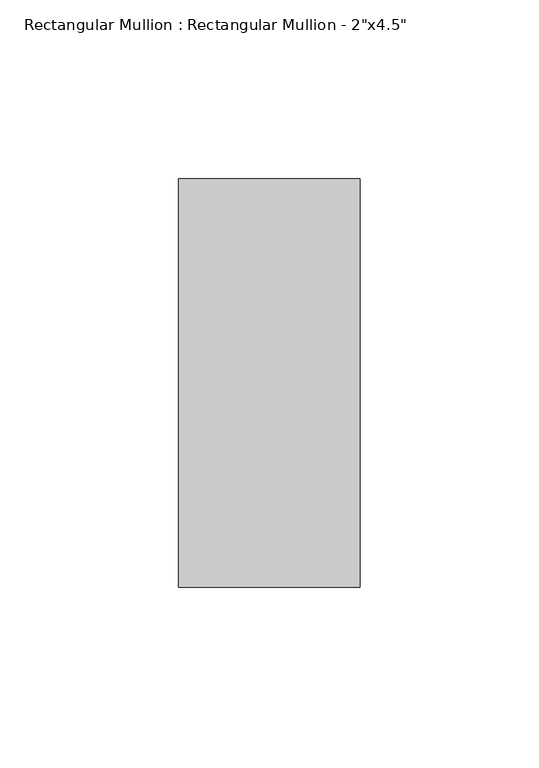
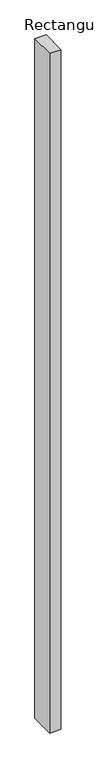
"""IFC4 building model written with IfcOpenShell, lengths in millimetres: member geometry."""

from ifc_helpers import new_model, si_unit, frame, origin, place, context, project, spatial, polyline, outline, extrude, source, transform, mapped, element, save


def member_6a8c2eb5(model_context):
    return source(origin(), model_context, "Body", "SweptSolid", [
        extrude(outline(polyline([(0.0, 57.15), (0.0, -57.15), (-50.8, -57.15), (-50.8, 57.15), (0.0, 57.15)])), frame((0.0, 0.0, -3219.45), z_axis=(0.0, 0.0, 1.0), x_axis=(1.0, 0.0, 0.0)), (0.0, 0.0, 1.0), 3219.45),
    ])


if __name__ == "__main__":
    model = new_model("IFC4")
    model_context = context("Model", 3, world=origin())
    ifc_project = project(units=[si_unit("LENGTHUNIT", "METRE", prefix="MILLI")], contexts=[model_context])
    site = spatial("IfcSite", under=ifc_project)
    building = spatial("IfcBuilding", under=site)
    placement = place(None, origin())
    member_shape = member_6a8c2eb5(model_context)
    element("IfcMember", 1, ObjectType="Rectangular Mullion : Rectangular Mullion - 2\"x4.5\"", at=placement, inside=building, context=model_context, shape_type="MappedRepresentation", body=[
        mapped(member_shape, transform((0.0, 0.0, 0.0), x_axis=(1.0, 0.0, 0.0), y_axis=(0.0, 1.0, 0.0), z_axis=(0.0, 0.0, 1.0))),
    ])
    save(model, "model.ifc")
